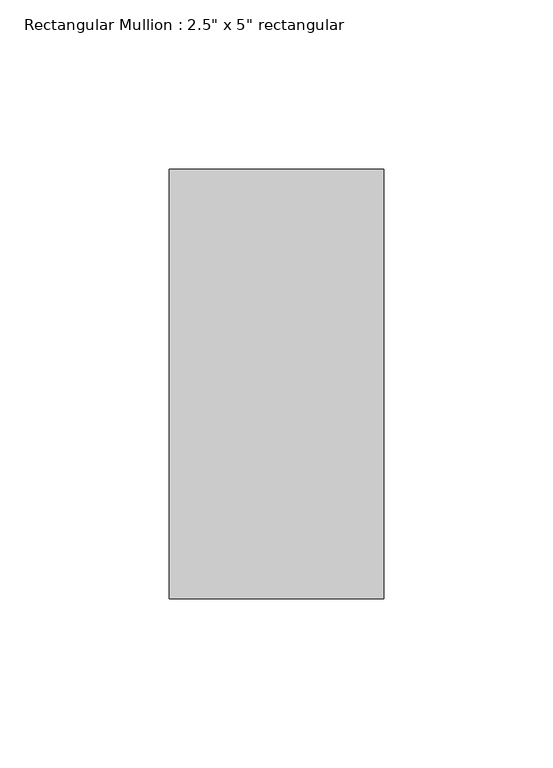
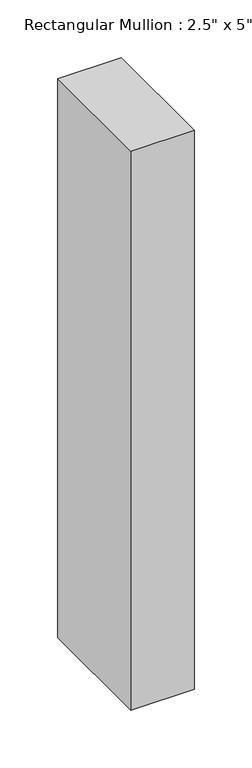
"""IFC4 building model written with IfcOpenShell, lengths in millimetres: member geometry."""

from ifc_helpers import new_model, si_unit, frame, origin, place, context, project, spatial, polyline, outline, extrude, source, transform, mapped, element, save


def member_d0d20781(model_context):
    return source(origin(), model_context, "Body", "SweptSolid", [
        extrude(outline(polyline([(31.75, 63.5), (31.75, -63.5), (-31.75, -63.5), (-31.75, 63.5), (31.75, 63.5)])), frame((0.0, 0.0, -591.6), z_axis=(0.0, 0.0, 1.0), x_axis=(1.0, 0.0, 0.0)), (0.0, 0.0, 1.0), 591.6),
    ])


if __name__ == "__main__":
    model = new_model("IFC4")
    model_context = context("Model", 3, world=origin())
    ifc_project = project(units=[si_unit("LENGTHUNIT", "METRE", prefix="MILLI")], contexts=[model_context])
    site = spatial("IfcSite", under=ifc_project)
    building = spatial("IfcBuilding", under=site)
    placement = place(None, origin())
    member_shape = member_d0d20781(model_context)
    element("IfcMember", 1, ObjectType="Rectangular Mullion : 2.5\" x 5\" rectangular", at=placement, inside=building, context=model_context, shape_type="MappedRepresentation", body=[
        mapped(member_shape, transform((0.0, 0.0, 0.0), x_axis=(1.0, 0.0, 0.0), y_axis=(0.0, 1.0, 0.0), z_axis=(0.0, 0.0, 1.0))),
    ])
    save(model, "model.ifc")
